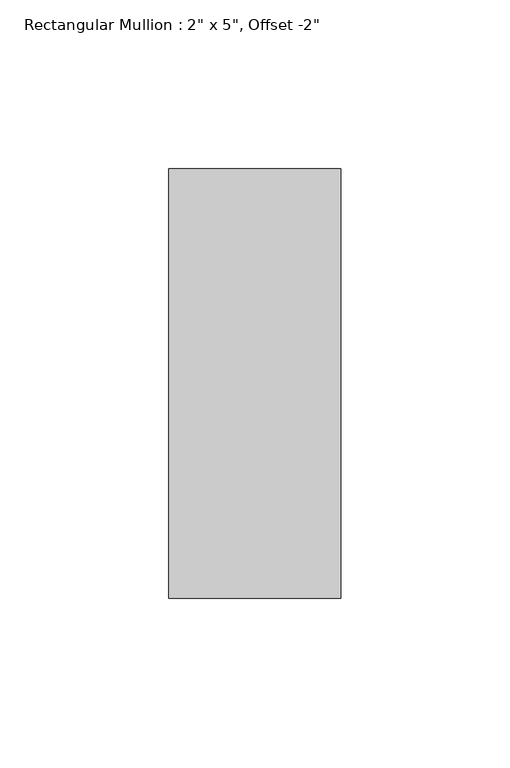
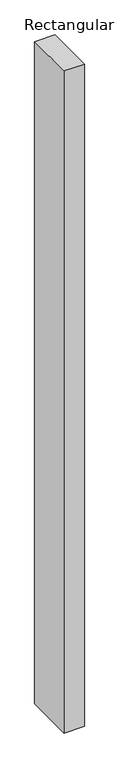
"""IFC4 building model written with IfcOpenShell, lengths in millimetres: member geometry."""

import ifcopenshell
import ifcopenshell.guid

model = None  # the IFC model being written
_history = None  # IfcOwnerHistory: only IFC2X3 demands one
_inside = {}  # id of a spatial element -> (the spatial element, [elements in it])
_under = {}  # id of a project, library or spatial element -> (it, [spatial elements below it])
_declared = {}  # id of a project -> (the project, [libraries it declares])
_typed = {}  # id of a type object -> (the type object, [elements of that type])
_made_of = {}  # id of a material, layer set ... -> (it, [elements and type objects made of it])


def new_model(schema):
    """Start an empty IFC model of exactly this schema.

    Asked for "IFC4X3", IfcOpenShell would pick the latest addendum, in which some entities
    have other attributes; the version numbers below select the first issue.
    IFC2X3 requires an IfcOwnerHistory on every rooted entity: one is made here for all.
    """
    global model, _history
    if schema == "IFC4X3":
        model = ifcopenshell.file(schema_version=(4, 3, 0, 0))
    else:
        model = ifcopenshell.file(schema=schema)
    _inside.clear()
    _under.clear()
    _declared.clear()
    _typed.clear()
    _made_of.clear()
    _history = None
    if model.schema == "IFC2X3":
        org = make("IfcOrganization", Name="unknown")
        user = make(
            "IfcPersonAndOrganization",
            ThePerson=make("IfcPerson", FamilyName="unknown"),
            TheOrganization=org,
        )
        app = make(
            "IfcApplication",
            ApplicationDeveloper=org,
            Version="unknown",
            ApplicationFullName="unknown",
            ApplicationIdentifier="unknown",
        )
        _history = make(
            "IfcOwnerHistory",
            OwningUser=user,
            OwningApplication=app,
            ChangeAction="ADDED",
            CreationDate=0,
        )
    return model


def make(cls, **values):
    """One entity of the class cls with the attributes given. An attribute that is None is left unset."""
    return model.create_entity(
        cls, **{name: value for name, value in values.items() if value is not None}
    )


def rooted(cls, **values):
    """An entity with a GlobalId (a new one), such as an element, a storey or a relation."""
    return make(cls, GlobalId=ifcopenshell.guid.new(), OwnerHistory=_history, **values)


def si_unit(unit_type, name, prefix=None):
    """IfcSIUnit, for example si_unit("LENGTHUNIT", "METRE", prefix="MILLI")."""
    return make("IfcSIUnit", UnitType=unit_type, Prefix=prefix, Name=name)


def assignment(units):
    """IfcUnitAssignment: the units of a project."""
    return None if units is None else make("IfcUnitAssignment", Units=units)


def point(xyz):
    """IfcCartesianPoint."""
    return None if xyz is None else make("IfcCartesianPoint", Coordinates=xyz)


def direction(xyz):
    """IfcDirection."""
    return None if xyz is None else make("IfcDirection", DirectionRatios=xyz)


def frame(location, z_axis=None, x_axis=None):
    """IfcAxis2Placement3D, a coordinate frame: its origin and axes. An axis left out is left unset."""
    return make(
        "IfcAxis2Placement3D",
        Location=point(location),
        Axis=direction(z_axis),
        RefDirection=direction(x_axis),
    )


def origin():
    """The frame at (0, 0, 0) with its axes left unset."""
    return frame((0.0, 0.0, 0.0))


def place(relative_to, where):
    """IfcLocalPlacement: puts the frame where relative to a parent placement (None: the world)."""
    return make(
        "IfcLocalPlacement", PlacementRelTo=relative_to, RelativePlacement=where
    )


def context(
    kind, dimensions, precision=None, world=None, true_north=None, identifier=None
):
    """IfcGeometricRepresentationContext, for example the 3D "Model" context."""
    return make(
        "IfcGeometricRepresentationContext",
        ContextIdentifier=identifier,
        ContextType=kind,
        CoordinateSpaceDimension=dimensions,
        Precision=precision,
        WorldCoordinateSystem=world,
        TrueNorth=true_north,
    )


def project(units=None, contexts=None):
    """IfcProject with its units and contexts."""
    return rooted(
        "IfcProject",
        Name="project",
        RepresentationContexts=contexts,
        UnitsInContext=assignment(units),
    )


def spatial(cls, under=None, at=None, **own):
    """A site, building, storey or space (cls), placed at a placement, below another one or the project."""
    s = rooted(cls, ObjectPlacement=at, **own)
    if under is not None:
        _under.setdefault(under.id(), (under, []))[1].append(s)
    return s


def polyline(points):
    """IfcPolyline through the points."""
    return make("IfcPolyline", Points=[point(p) for p in points])


def outline(outer, holes=None, kind="AREA"):
    """IfcArbitraryClosedProfileDef: a profile drawn as a closed curve; with holes, ...WithVoids."""
    if holes is None:
        return make("IfcArbitraryClosedProfileDef", ProfileType=kind, OuterCurve=outer)
    return make(
        "IfcArbitraryProfileDefWithVoids",
        ProfileType=kind,
        OuterCurve=outer,
        InnerCurves=holes,
    )


def extrude(swept, where, along, depth):
    """IfcExtrudedAreaSolid: the profile swept, set in the frame where, extruded along a direction by depth."""
    return make(
        "IfcExtrudedAreaSolid",
        SweptArea=swept,
        Position=where,
        ExtrudedDirection=direction(along),
        Depth=depth,
    )


def shape(context_of_items, identifier, shape_type, items):
    """IfcShapeRepresentation: the items that make up one representation, for example the "Body"."""
    return make(
        "IfcShapeRepresentation",
        ContextOfItems=context_of_items,
        RepresentationIdentifier=identifier,
        RepresentationType=shape_type,
        Items=items,
    )


def source(mapping_origin, context_of_items, identifier, shape_type, items):
    """IfcRepresentationMap: a shape defined once, which mapped items show again and again."""
    return make(
        "IfcRepresentationMap",
        MappingOrigin=mapping_origin,
        MappedRepresentation=shape(context_of_items, identifier, shape_type, items),
    )


def transform(
    local_origin,
    x_axis=None,
    y_axis=None,
    z_axis=None,
    scale=None,
    scale2=None,
    scale3=None,
    uniform=True,
):
    """IfcCartesianTransformationOperator3D, or its non-uniform kind. x_axis, y_axis, z_axis: its Axis1, 2, 3."""
    if uniform:
        return make(
            "IfcCartesianTransformationOperator3D",
            Axis1=direction(x_axis),
            Axis2=direction(y_axis),
            LocalOrigin=point(local_origin),
            Scale=scale,
            Axis3=direction(z_axis),
        )
    return make(
        "IfcCartesianTransformationOperator3DnonUniform",
        Axis1=direction(x_axis),
        Axis2=direction(y_axis),
        LocalOrigin=point(local_origin),
        Scale=scale,
        Axis3=direction(z_axis),
        Scale2=scale2,
        Scale3=scale3,
    )


def mapped(mapping_source, mapping_target):
    """IfcMappedItem: shows the shape of a source again, moved by a transform."""
    return make(
        "IfcMappedItem", MappingSource=mapping_source, MappingTarget=mapping_target
    )


def made_of(thing, what):
    """Note that an element or type object is made of a material, layer set ...; save() writes the relation."""
    if what is not None:
        _made_of.setdefault(what.id(), (what, []))[1].append(thing)
    return thing


def element(
    cls,
    number,
    at=None,
    inside=None,
    cuts=None,
    type_object=None,
    material=None,
    context=None,
    identifier="Body",
    shape_type=None,
    held_by="IfcProductDefinitionShape",
    body=None,
    shapes=None,
    **own,
):
    """One element of the class cls, such as IfcWall. Its Tag is "e" and its number.

    at: its placement. inside: the storey or other place that contains it. cuts: it is an
    opening in that element (IfcRelVoidsElement). A single representation is given by context,
    identifier, shape_type and body (its items); several are given by shapes. held_by: the class
    of the entity that holds the representations. save() writes the other relations.
    """
    e = rooted(cls, Tag="e%d" % number, ObjectPlacement=at, **own)
    if body is not None:
        shapes = [shape(context, identifier, shape_type, body)]
    if shapes is not None:
        e.Representation = make(held_by, Representations=shapes)
    if inside is not None:
        _inside.setdefault(inside.id(), (inside, []))[1].append(e)
    if cuts is not None:
        rooted(
            "IfcRelVoidsElement", RelatingBuildingElement=cuts, RelatedOpeningElement=e
        )
    if type_object is not None:
        _typed.setdefault(type_object.id(), (type_object, []))[1].append(e)
    return made_of(e, material)


def aggregate(whole, parts):
    """IfcRelAggregates: a whole, such as a stair, and the parts it consists of."""
    return rooted("IfcRelAggregates", RelatingObject=whole, RelatedObjects=parts)


def save(model, path):
    """Write the relations noted so far, then the file.

    IfcRelAggregates (storeys below a building ...), IfcRelContainedInSpatialStructure (elements
    in a storey), IfcRelDefinesByType, IfcRelAssociatesMaterial and IfcRelDeclares: one each for
    every whole, place, type object, material and project.
    """
    for whole, parts in _under.values():
        aggregate(whole, parts)
    for where, things in _inside.values():
        rooted(
            "IfcRelContainedInSpatialStructure",
            RelatedElements=things,
            RelatingStructure=where,
        )
    for kind, things in _typed.values():
        rooted("IfcRelDefinesByType", RelatedObjects=things, RelatingType=kind)
    for what, things in _made_of.values():
        rooted("IfcRelAssociatesMaterial", RelatedObjects=things, RelatingMaterial=what)
    for by, libraries in _declared.values():
        rooted("IfcRelDeclares", RelatingContext=by, RelatedDefinitions=libraries)
    model.write(path)


def member_ef4ccc93(model_context):
    return source(origin(), model_context, "Body", "SweptSolid", [
        extrude(outline(polyline([(0.0, 12.7), (0.0, -114.3), (-50.8, -114.3), (-50.8, 12.7), (0.0, 12.7)])), frame((0.0, 0.0, -1750.7334481), z_axis=(0.0, 0.0, 1.0), x_axis=(1.0, 0.0, 0.0)), (0.0, 0.0, 1.0), 1750.7334481),
    ])


if __name__ == "__main__":
    model = new_model("IFC4")
    model_context = context("Model", 3, world=origin())
    ifc_project = project(units=[si_unit("LENGTHUNIT", "METRE", prefix="MILLI")], contexts=[model_context])
    site = spatial("IfcSite", under=ifc_project)
    building = spatial("IfcBuilding", under=site)
    placement = place(None, origin())
    member_shape = member_ef4ccc93(model_context)
    element("IfcMember", 1, ObjectType="Rectangular Mullion : 2\" x 5\", Offset -2\"", at=placement, inside=building, context=model_context, shape_type="MappedRepresentation", body=[
        mapped(member_shape, transform((0.0, 0.0, 0.0), x_axis=(1.0, 0.0, 0.0), y_axis=(0.0, 1.0, 0.0), z_axis=(0.0, 0.0, 1.0))),
    ])
    save(model, "model.ifc")
